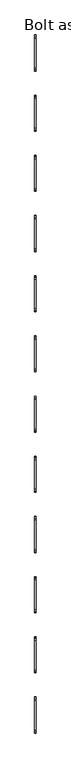
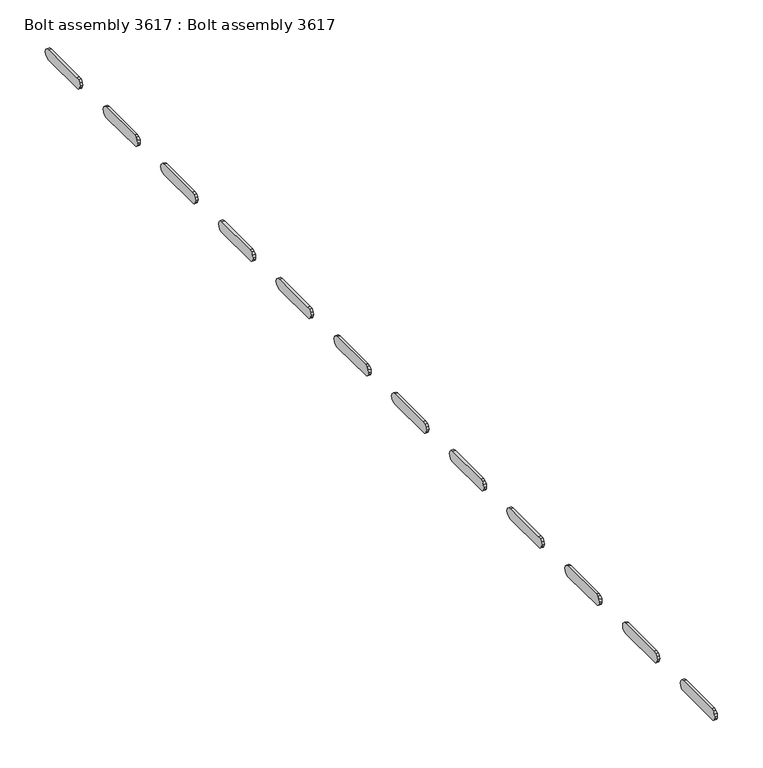
"""IFC4 building model written with IfcOpenShell, lengths in millimetres: proxy geometry, Bolt assembly 3617 : Bolt assembly 3617."""

from ifc_helpers import new_model, si_unit, frame, origin, place, context, project, spatial, polyline, outline, extrude, source, transform, mapped, element, save


def bolt_assembly_3617_bolt_assembly_3617_2a0baf4e(model_context):
    return source(origin(), model_context, "Body", "SweptSolid", [
        extrude(outline(polyline([(229.5572486, -69.4525015), (232.1725001, -66.83725), (235.7450001, -65.8800015), (297.6549999, -65.8800015), (301.2274999, -66.83725), (303.8427514, -69.4525015), (304.7999999, -73.0250015), (303.8427514, -76.5975015), (301.2274999, -79.212753), (297.6549999, -80.1700015), (233.010727, -79.6261208), (230.6927221, -78.0772795), (229.1438808, -75.7592746), (228.6000001, -73.0250015), (229.5572486, -69.4525015)])), frame((993.6750008, 0.0, 0.0), z_axis=(1.0, 0.0, 0.0), x_axis=(0.0, 1.0, 0.0)), (0.0, 0.0, 1.0), 3.275),
        extrude(outline(polyline([(356.5572486, -69.4525015), (359.1725001, -66.83725), (362.7450001, -65.8800015), (424.6549999, -65.8800015), (428.2274999, -66.83725), (430.8427514, -69.4525015), (431.7999999, -73.0250015), (430.8427514, -76.5975015), (428.2274999, -79.212753), (424.6549999, -80.1700015), (360.010727, -79.6261208), (357.6927221, -78.0772795), (356.1438808, -75.7592746), (355.6000001, -73.0250015), (356.5572486, -69.4525015)])), frame((993.6750008, 0.0, 0.0), z_axis=(1.0, 0.0, 0.0), x_axis=(0.0, 1.0, 0.0)), (0.0, 0.0, 1.0), 3.275),
        extrude(outline(polyline([(483.5572486, -69.4525015), (486.1725001, -66.83725), (489.7450001, -65.8800015), (551.6549999, -65.8800015), (555.2274999, -66.83725), (557.8427514, -69.4525015), (558.7999999, -73.0250015), (557.8427514, -76.5975015), (555.2274999, -79.212753), (551.6549999, -80.1700015), (487.010727, -79.6261208), (484.6927221, -78.0772795), (483.1438808, -75.7592746), (482.6000001, -73.0250015), (483.5572486, -69.4525015)])), frame((993.6750008, 0.0, 0.0), z_axis=(1.0, 0.0, 0.0), x_axis=(0.0, 1.0, 0.0)), (0.0, 0.0, 1.0), 3.275),
        extrude(outline(polyline([(610.5572486, -69.4525015), (613.1725001, -66.83725), (616.7450001, -65.8800015), (678.6549999, -65.8800015), (682.2274999, -66.83725), (684.8427514, -69.4525015), (685.7999999, -73.0250015), (684.8427514, -76.5975015), (682.2274999, -79.212753), (678.6549999, -80.1700015), (614.010727, -79.6261208), (611.6927221, -78.0772795), (610.1438808, -75.7592746), (609.6000001, -73.0250015), (610.5572486, -69.4525015)])), frame((993.6750008, 0.0, 0.0), z_axis=(1.0, 0.0, 0.0), x_axis=(0.0, 1.0, 0.0)), (0.0, 0.0, 1.0), 3.275),
        extrude(outline(polyline([(737.5572486, -69.4525015), (740.1725001, -66.83725), (743.7450001, -65.8800015), (805.6549999, -65.8800015), (809.2274999, -66.83725), (811.8427514, -69.4525015), (812.7999999, -73.0250015), (811.8427514, -76.5975015), (809.2274999, -79.212753), (805.6549999, -80.1700015), (741.010727, -79.6261208), (738.6927221, -78.0772795), (737.1438808, -75.7592746), (736.6000001, -73.0250015), (737.5572486, -69.4525015)])), frame((993.6750008, 0.0, 0.0), z_axis=(1.0, 0.0, 0.0), x_axis=(0.0, 1.0, 0.0)), (0.0, 0.0, 1.0), 3.275),
        extrude(outline(polyline([(864.5572486, -69.4525015), (867.1725001, -66.83725), (870.7450001, -65.8800015), (932.6549999, -65.8800015), (936.2274999, -66.83725), (938.8427514, -69.4525015), (939.7999999, -73.0250015), (938.8427514, -76.5975015), (936.2274999, -79.212753), (932.6549999, -80.1700015), (868.010727, -79.6261208), (865.6927221, -78.0772795), (864.1438808, -75.7592746), (863.6000001, -73.0250015), (864.5572486, -69.4525015)])), frame((993.6750008, 0.0, 0.0), z_axis=(1.0, 0.0, 0.0), x_axis=(0.0, 1.0, 0.0)), (0.0, 0.0, 1.0), 3.275),
        extrude(outline(polyline([(991.5572486, -69.4525015), (994.1725001, -66.83725), (997.7450001, -65.8800015), (1059.6549999, -65.8800015), (1063.2274999, -66.83725), (1065.8427514, -69.4525015), (1066.7999999, -73.0250015), (1065.8427514, -76.5975015), (1063.2274999, -79.212753), (1059.6549999, -80.1700015), (995.010727, -79.6261208), (992.6927221, -78.0772795), (991.1438808, -75.7592746), (990.6000001, -73.0250015), (991.5572486, -69.4525015)])), frame((993.6750008, 0.0, 0.0), z_axis=(1.0, 0.0, 0.0), x_axis=(0.0, 1.0, 0.0)), (0.0, 0.0, 1.0), 3.275),
        extrude(outline(polyline([(1118.5572486, -69.4525015), (1121.1725001, -66.83725), (1124.7450001, -65.8800015), (1186.6549999, -65.8800015), (1190.2274999, -66.83725), (1192.8427514, -69.4525015), (1193.7999999, -73.0250015), (1192.8427514, -76.5975015), (1190.2274999, -79.212753), (1186.6549999, -80.1700015), (1122.010727, -79.6261208), (1119.6927221, -78.0772795), (1118.1438808, -75.7592746), (1117.6000001, -73.0250015), (1118.5572486, -69.4525015)])), frame((993.6750008, 0.0, 0.0), z_axis=(1.0, 0.0, 0.0), x_axis=(0.0, 1.0, 0.0)), (0.0, 0.0, 1.0), 3.275),
        extrude(outline(polyline([(1245.5572486, -69.4525015), (1248.1725001, -66.83725), (1251.7450001, -65.8800015), (1313.6549999, -65.8800015), (1317.2274999, -66.83725), (1319.8427514, -69.4525015), (1320.7999999, -73.0250015), (1319.8427514, -76.5975015), (1317.2274999, -79.212753), (1313.6549999, -80.1700015), (1249.010727, -79.6261208), (1246.6927221, -78.0772795), (1245.1438808, -75.7592746), (1244.6000001, -73.0250015), (1245.5572486, -69.4525015)])), frame((993.6750008, 0.0, 0.0), z_axis=(1.0, 0.0, 0.0), x_axis=(0.0, 1.0, 0.0)), (0.0, 0.0, 1.0), 3.275),
        extrude(outline(polyline([(1372.5572486, -69.4525015), (1375.1725001, -66.83725), (1378.7450001, -65.8800015), (1440.6549999, -65.8800015), (1444.2274999, -66.83725), (1446.8427514, -69.4525015), (1447.7999999, -73.0250015), (1446.8427514, -76.5975015), (1444.2274999, -79.212753), (1440.6549999, -80.1700015), (1376.010727, -79.6261208), (1373.6927221, -78.0772795), (1372.1438808, -75.7592746), (1371.6000001, -73.0250015), (1372.5572486, -69.4525015)])), frame((993.6750008, 0.0, 0.0), z_axis=(1.0, 0.0, 0.0), x_axis=(0.0, 1.0, 0.0)), (0.0, 0.0, 1.0), 3.275),
        extrude(outline(polyline([(1499.5572486, -69.4525015), (1502.1725001, -66.83725), (1505.7450001, -65.8800015), (1567.6549999, -65.8800015), (1571.2274999, -66.83725), (1573.8427514, -69.4525015), (1574.7999999, -73.0250015), (1573.8427514, -76.5975015), (1571.2274999, -79.212753), (1567.6549999, -80.1700015), (1503.010727, -79.6261208), (1500.6927221, -78.0772795), (1499.1438808, -75.7592746), (1498.6000001, -73.0250015), (1499.5572486, -69.4525015)])), frame((993.6750008, 0.0, 0.0), z_axis=(1.0, 0.0, 0.0), x_axis=(0.0, 1.0, 0.0)), (0.0, 0.0, 1.0), 3.275),
        extrude(outline(polyline([(1626.5572486, -69.4525015), (1629.1725001, -66.83725), (1632.7450001, -65.8800015), (1694.6549999, -65.8800015), (1698.2274999, -66.83725), (1700.8427514, -69.4525015), (1701.7999999, -73.0250015), (1700.8427514, -76.5975015), (1698.2274999, -79.212753), (1694.6549999, -80.1700015), (1630.010727, -79.6261208), (1627.6927221, -78.0772795), (1626.1438808, -75.7592746), (1625.6000001, -73.0250015), (1626.5572486, -69.4525015)])), frame((993.6750008, 0.0, 0.0), z_axis=(1.0, 0.0, 0.0), x_axis=(0.0, 1.0, 0.0)), (0.0, 0.0, 1.0), 3.275),
    ])


if __name__ == "__main__":
    model = new_model("IFC4")
    model_context = context("Model", 3, world=origin())
    ifc_project = project(units=[si_unit("LENGTHUNIT", "METRE", prefix="MILLI")], contexts=[model_context])
    site = spatial("IfcSite", under=ifc_project)
    building = spatial("IfcBuilding", under=site)
    placement = place(None, origin())
    bolt_assembly_3617_bolt_assembly_3617_shape = bolt_assembly_3617_bolt_assembly_3617_2a0baf4e(model_context)
    element("IfcBuildingElementProxy", 1, Name="Bolt assembly 3617 : Bolt assembly 3617", ObjectType="Bolt assembly 3617 : Bolt assembly 3617", at=placement, inside=building, context=model_context, shape_type="MappedRepresentation", body=[
        mapped(bolt_assembly_3617_bolt_assembly_3617_shape, transform((0.0, 0.0, 0.0), x_axis=(1.0, 0.0, 0.0), y_axis=(0.0, 1.0, 0.0), z_axis=(0.0, 0.0, 1.0))),
    ])
    save(model, "model.ifc")
